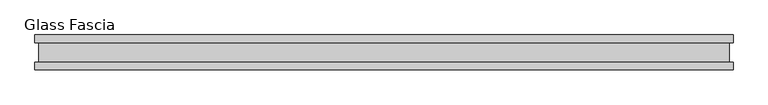
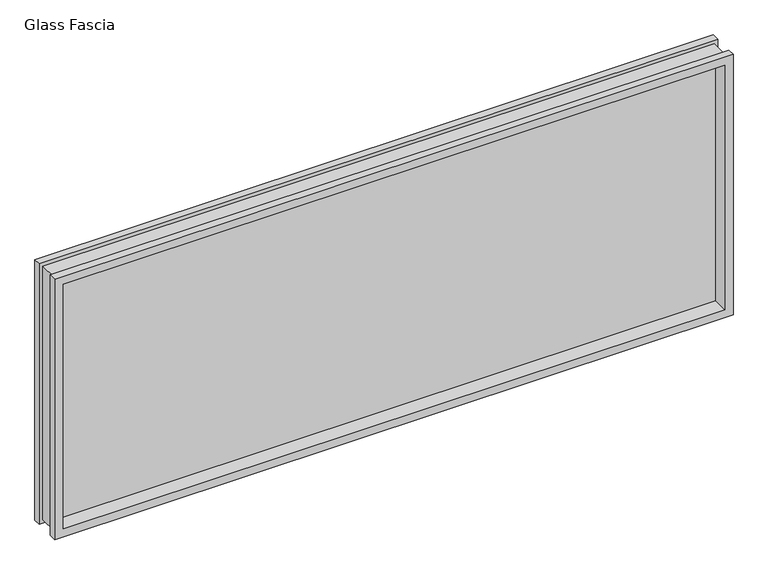
"""IFC4 building model written with IfcOpenShell, lengths in millimetres: proxy geometry, Glass Fascia."""

import ifcopenshell
import ifcopenshell.guid

model = None  # the IFC model being written
_history = None  # IfcOwnerHistory: only IFC2X3 demands one
_inside = {}  # id of a spatial element -> (the spatial element, [elements in it])
_under = {}  # id of a project, library or spatial element -> (it, [spatial elements below it])
_declared = {}  # id of a project -> (the project, [libraries it declares])
_typed = {}  # id of a type object -> (the type object, [elements of that type])
_made_of = {}  # id of a material, layer set ... -> (it, [elements and type objects made of it])


def new_model(schema):
    """Start an empty IFC model of exactly this schema.

    Asked for "IFC4X3", IfcOpenShell would pick the latest addendum, in which some entities
    have other attributes; the version numbers below select the first issue.
    IFC2X3 requires an IfcOwnerHistory on every rooted entity: one is made here for all.
    """
    global model, _history
    if schema == "IFC4X3":
        model = ifcopenshell.file(schema_version=(4, 3, 0, 0))
    else:
        model = ifcopenshell.file(schema=schema)
    _inside.clear()
    _under.clear()
    _declared.clear()
    _typed.clear()
    _made_of.clear()
    _history = None
    if model.schema == "IFC2X3":
        org = make("IfcOrganization", Name="unknown")
        user = make(
            "IfcPersonAndOrganization",
            ThePerson=make("IfcPerson", FamilyName="unknown"),
            TheOrganization=org,
        )
        app = make(
            "IfcApplication",
            ApplicationDeveloper=org,
            Version="unknown",
            ApplicationFullName="unknown",
            ApplicationIdentifier="unknown",
        )
        _history = make(
            "IfcOwnerHistory",
            OwningUser=user,
            OwningApplication=app,
            ChangeAction="ADDED",
            CreationDate=0,
        )
    return model


def make(cls, **values):
    """One entity of the class cls with the attributes given. An attribute that is None is left unset."""
    return model.create_entity(
        cls, **{name: value for name, value in values.items() if value is not None}
    )


def rooted(cls, **values):
    """An entity with a GlobalId (a new one), such as an element, a storey or a relation."""
    return make(cls, GlobalId=ifcopenshell.guid.new(), OwnerHistory=_history, **values)


def si_unit(unit_type, name, prefix=None):
    """IfcSIUnit, for example si_unit("LENGTHUNIT", "METRE", prefix="MILLI")."""
    return make("IfcSIUnit", UnitType=unit_type, Prefix=prefix, Name=name)


def assignment(units):
    """IfcUnitAssignment: the units of a project."""
    return None if units is None else make("IfcUnitAssignment", Units=units)


def point(xyz):
    """IfcCartesianPoint."""
    return None if xyz is None else make("IfcCartesianPoint", Coordinates=xyz)


def direction(xyz):
    """IfcDirection."""
    return None if xyz is None else make("IfcDirection", DirectionRatios=xyz)


def frame(location, z_axis=None, x_axis=None):
    """IfcAxis2Placement3D, a coordinate frame: its origin and axes. An axis left out is left unset."""
    return make(
        "IfcAxis2Placement3D",
        Location=point(location),
        Axis=direction(z_axis),
        RefDirection=direction(x_axis),
    )


def origin():
    """The frame at (0, 0, 0) with its axes left unset."""
    return frame((0.0, 0.0, 0.0))


def place(relative_to, where):
    """IfcLocalPlacement: puts the frame where relative to a parent placement (None: the world)."""
    return make(
        "IfcLocalPlacement", PlacementRelTo=relative_to, RelativePlacement=where
    )


def context(
    kind, dimensions, precision=None, world=None, true_north=None, identifier=None
):
    """IfcGeometricRepresentationContext, for example the 3D "Model" context."""
    return make(
        "IfcGeometricRepresentationContext",
        ContextIdentifier=identifier,
        ContextType=kind,
        CoordinateSpaceDimension=dimensions,
        Precision=precision,
        WorldCoordinateSystem=world,
        TrueNorth=true_north,
    )


def project(units=None, contexts=None):
    """IfcProject with its units and contexts."""
    return rooted(
        "IfcProject",
        Name="project",
        RepresentationContexts=contexts,
        UnitsInContext=assignment(units),
    )


def spatial(cls, under=None, at=None, **own):
    """A site, building, storey or space (cls), placed at a placement, below another one or the project."""
    s = rooted(cls, ObjectPlacement=at, **own)
    if under is not None:
        _under.setdefault(under.id(), (under, []))[1].append(s)
    return s


def polyline(points):
    """IfcPolyline through the points."""
    return make("IfcPolyline", Points=[point(p) for p in points])


def outline(outer, holes=None, kind="AREA"):
    """IfcArbitraryClosedProfileDef: a profile drawn as a closed curve; with holes, ...WithVoids."""
    if holes is None:
        return make("IfcArbitraryClosedProfileDef", ProfileType=kind, OuterCurve=outer)
    return make(
        "IfcArbitraryProfileDefWithVoids",
        ProfileType=kind,
        OuterCurve=outer,
        InnerCurves=holes,
    )


def extrude(swept, where, along, depth):
    """IfcExtrudedAreaSolid: the profile swept, set in the frame where, extruded along a direction by depth."""
    return make(
        "IfcExtrudedAreaSolid",
        SweptArea=swept,
        Position=where,
        ExtrudedDirection=direction(along),
        Depth=depth,
    )


def faces_of(points, faces, orient=None, outer=None):
    """IfcFace entities. A face is a list of loops; a loop is a list of indices into points, from 0.

    orient and outer hold one flag for each loop. By default every Orientation is true, the
    first loop of a face is its IfcFaceOuterBound and the others are IfcFaceBound.
    """
    made = []
    for i, loops in enumerate(faces):
        bounds = []
        for j, loop in enumerate(loops):
            is_outer = j == 0 if outer is None else outer[i][j]
            bounds.append(
                make(
                    "IfcFaceOuterBound" if is_outer else "IfcFaceBound",
                    Bound=make("IfcPolyLoop", Polygon=[points[k] for k in loop]),
                    Orientation=True if orient is None else orient[i][j],
                )
            )
        made.append(make("IfcFace", Bounds=bounds))
    return made


def faceted_brep(points, faces, orient=None, outer=None, voids=None):
    """IfcFacetedBrep: a solid bounded by flat faces; with voids (closed shells), ...WithVoids."""
    shared = [point(p) for p in points]
    hull = make("IfcClosedShell", CfsFaces=faces_of(shared, faces, orient, outer))
    if voids is None:
        return make("IfcFacetedBrep", Outer=hull)
    return make(
        "IfcFacetedBrepWithVoids",
        Outer=hull,
        Voids=[
            make(cls, CfsFaces=faces_of(shared, fs, o, b)) for cls, fs, o, b in voids
        ],
    )


def shape(context_of_items, identifier, shape_type, items):
    """IfcShapeRepresentation: the items that make up one representation, for example the "Body"."""
    return make(
        "IfcShapeRepresentation",
        ContextOfItems=context_of_items,
        RepresentationIdentifier=identifier,
        RepresentationType=shape_type,
        Items=items,
    )


def source(mapping_origin, context_of_items, identifier, shape_type, items):
    """IfcRepresentationMap: a shape defined once, which mapped items show again and again."""
    return make(
        "IfcRepresentationMap",
        MappingOrigin=mapping_origin,
        MappedRepresentation=shape(context_of_items, identifier, shape_type, items),
    )


def transform(
    local_origin,
    x_axis=None,
    y_axis=None,
    z_axis=None,
    scale=None,
    scale2=None,
    scale3=None,
    uniform=True,
):
    """IfcCartesianTransformationOperator3D, or its non-uniform kind. x_axis, y_axis, z_axis: its Axis1, 2, 3."""
    if uniform:
        return make(
            "IfcCartesianTransformationOperator3D",
            Axis1=direction(x_axis),
            Axis2=direction(y_axis),
            LocalOrigin=point(local_origin),
            Scale=scale,
            Axis3=direction(z_axis),
        )
    return make(
        "IfcCartesianTransformationOperator3DnonUniform",
        Axis1=direction(x_axis),
        Axis2=direction(y_axis),
        LocalOrigin=point(local_origin),
        Scale=scale,
        Axis3=direction(z_axis),
        Scale2=scale2,
        Scale3=scale3,
    )


def mapped(mapping_source, mapping_target):
    """IfcMappedItem: shows the shape of a source again, moved by a transform."""
    return make(
        "IfcMappedItem", MappingSource=mapping_source, MappingTarget=mapping_target
    )


def made_of(thing, what):
    """Note that an element or type object is made of a material, layer set ...; save() writes the relation."""
    if what is not None:
        _made_of.setdefault(what.id(), (what, []))[1].append(thing)
    return thing


def element(
    cls,
    number,
    at=None,
    inside=None,
    cuts=None,
    type_object=None,
    material=None,
    context=None,
    identifier="Body",
    shape_type=None,
    held_by="IfcProductDefinitionShape",
    body=None,
    shapes=None,
    **own,
):
    """One element of the class cls, such as IfcWall. Its Tag is "e" and its number.

    at: its placement. inside: the storey or other place that contains it. cuts: it is an
    opening in that element (IfcRelVoidsElement). A single representation is given by context,
    identifier, shape_type and body (its items); several are given by shapes. held_by: the class
    of the entity that holds the representations. save() writes the other relations.
    """
    e = rooted(cls, Tag="e%d" % number, ObjectPlacement=at, **own)
    if body is not None:
        shapes = [shape(context, identifier, shape_type, body)]
    if shapes is not None:
        e.Representation = make(held_by, Representations=shapes)
    if inside is not None:
        _inside.setdefault(inside.id(), (inside, []))[1].append(e)
    if cuts is not None:
        rooted(
            "IfcRelVoidsElement", RelatingBuildingElement=cuts, RelatedOpeningElement=e
        )
    if type_object is not None:
        _typed.setdefault(type_object.id(), (type_object, []))[1].append(e)
    return made_of(e, material)


def aggregate(whole, parts):
    """IfcRelAggregates: a whole, such as a stair, and the parts it consists of."""
    return rooted("IfcRelAggregates", RelatingObject=whole, RelatedObjects=parts)


def save(model, path):
    """Write the relations noted so far, then the file.

    IfcRelAggregates (storeys below a building ...), IfcRelContainedInSpatialStructure (elements
    in a storey), IfcRelDefinesByType, IfcRelAssociatesMaterial and IfcRelDeclares: one each for
    every whole, place, type object, material and project.
    """
    for whole, parts in _under.values():
        aggregate(whole, parts)
    for where, things in _inside.values():
        rooted(
            "IfcRelContainedInSpatialStructure",
            RelatedElements=things,
            RelatingStructure=where,
        )
    for kind, things in _typed.values():
        rooted("IfcRelDefinesByType", RelatedObjects=things, RelatingType=kind)
    for what, things in _made_of.values():
        rooted("IfcRelAssociatesMaterial", RelatedObjects=things, RelatingMaterial=what)
    for by, libraries in _declared.values():
        rooted("IfcRelDeclares", RelatingContext=by, RelatedDefinitions=libraries)
    model.write(path)


def glass_fascia_3dd16702(model_context):
    return source(origin(), model_context, "Body", "SolidModel", [
        faceted_brep([(984.4096781, -5.0827449, 799.4805243), (984.4096781, 5.0827449, 799.4805243), (984.4096781, 5.0827449, 17.6374757), (984.4096781, -5.0827449, 17.6374757), (998.8721539, -28.8801202, 813.943), (998.8721539, -50.0558594, 813.943), (998.8721539, -50.0558594, 3.175), (998.8721539, -28.8801202, 3.175), (988.0471539, 28.2698798, 803.1180001), (988.0471539, -28.8801202, 803.1180001), (988.0471539, -28.8801202, 13.9999999), (988.0471539, 28.2698798, 13.9999999), (998.8721539, 50.0558594, 813.943), (998.8721539, 28.2698798, 813.943), (998.8721539, 28.2698798, 3.175), (998.8721539, 50.0558594, 3.175), (-984.4096781, 5.0827449, 17.6374757), (-984.4096781, -5.0827449, 17.6374757), (-998.8721539, -50.0558594, 3.175), (-998.8721539, -28.8801202, 3.175), (-988.0471539, -28.8801202, 13.9999999), (-988.0471539, 28.2698798, 13.9999999), (-998.8721539, 28.2698798, 3.175), (-998.8721539, 50.0558594, 3.175), (-984.4096781, 5.0827449, 799.4805243), (-984.4096781, -5.0827449, 799.4805243), (-998.8721539, -50.0558594, 813.943), (-998.8721539, -28.8801202, 813.943), (-988.0471539, -28.8801202, 803.1180001), (-988.0471539, 28.2698798, 803.1180001), (-998.8721539, 28.2698798, 813.943), (-998.8721539, 50.0558594, 813.943), (973.919487, 50.0558594, 788.9903332), (-973.919487, 50.0558594, 788.9903332), (-973.919487, 50.0558594, 28.1276668), (973.919487, 50.0558594, 28.1276668), (973.919487, 5.0827449, 28.1276668), (-973.919487, 5.0827449, 28.1276668), (-973.919487, 5.0827449, 788.9903332), (973.919487, 5.0827449, 788.9903332), (973.919487, -5.0827449, 788.9903332), (-973.919487, -5.0827449, 788.9903332), (-973.919487, -5.0827449, 28.1276668), (973.919487, -5.0827449, 28.1276668), (973.919487, -50.0558594, 28.1276668), (-973.919487, -50.0558594, 28.1276668), (-973.919487, -50.0558594, 788.9903332), (973.919487, -50.0558594, 788.9903332)], [[[0, 1, 2, 3]], [[4, 5, 6, 7]], [[8, 9, 10, 11]], [[12, 13, 14, 15]], [[3, 2, 16, 17]], [[7, 6, 18, 19]], [[11, 10, 20, 21]], [[15, 14, 22, 23]], [[17, 16, 24, 25]], [[19, 18, 26, 27]], [[21, 20, 28, 29]], [[23, 22, 30, 31]], [[15, 23, 31, 12], [32, 33, 34, 35]], [[1, 24, 16, 2], [36, 37, 38, 39]], [[25, 24, 1, 0]], [[3, 17, 25, 0], [40, 41, 42, 43]], [[5, 26, 18, 6], [44, 45, 46, 47]], [[27, 26, 5, 4]], [[7, 19, 27, 4], [9, 28, 20, 10]], [[29, 28, 9, 8]], [[13, 30, 22, 14], [11, 21, 29, 8]], [[31, 30, 13, 12]], [[39, 32, 35, 36]], [[47, 40, 43, 44]], [[36, 35, 34, 37]], [[44, 43, 42, 45]], [[37, 34, 33, 38]], [[45, 42, 41, 46]], [[38, 33, 32, 39]], [[46, 41, 40, 47]]]),
        extrude(outline(polyline([(984.4096781, 2.9765625), (984.4096781, -2.9765625), (-984.4096781, -2.9765625), (-984.4096781, 2.9765625), (984.4096781, 2.9765625)])), frame((0.0, 0.0, 17.6374757), z_axis=(0.0, 0.0, 1.0), x_axis=(1.0, 0.0, 0.0)), (0.0, 0.0, 1.0), 781.8430485),
    ])


if __name__ == "__main__":
    model = new_model("IFC4")
    model_context = context("Model", 3, world=origin())
    ifc_project = project(units=[si_unit("LENGTHUNIT", "METRE", prefix="MILLI")], contexts=[model_context])
    site = spatial("IfcSite", under=ifc_project)
    building = spatial("IfcBuilding", under=site)
    placement = place(None, origin())
    glass_fascia_shape = glass_fascia_3dd16702(model_context)
    element("IfcBuildingElementProxy", 1, Name="Glass Fascia", ObjectType="Glass Fascia", at=placement, inside=building, context=model_context, shape_type="MappedRepresentation", body=[
        mapped(glass_fascia_shape, transform((0.0, 0.0, 0.0), x_axis=(1.0, 0.0, 0.0), y_axis=(0.0, 1.0, 0.0), z_axis=(0.0, 0.0, 1.0))),
    ])
    save(model, "model.ifc")
